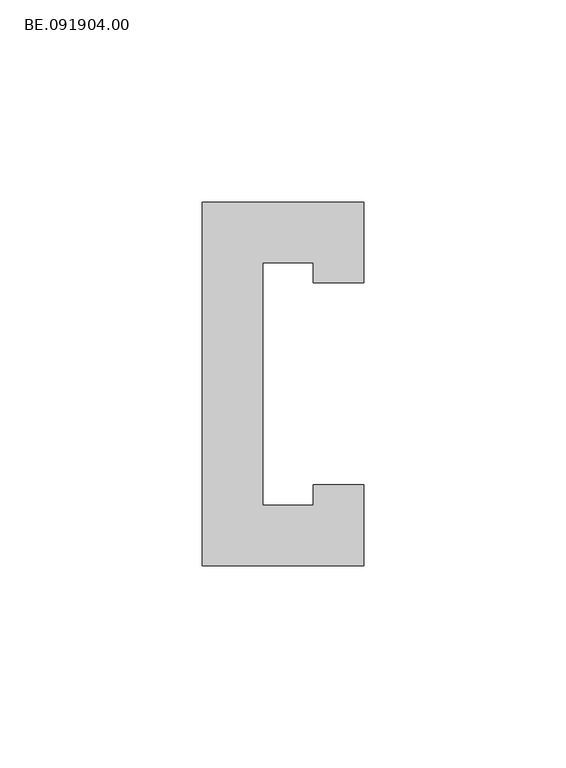
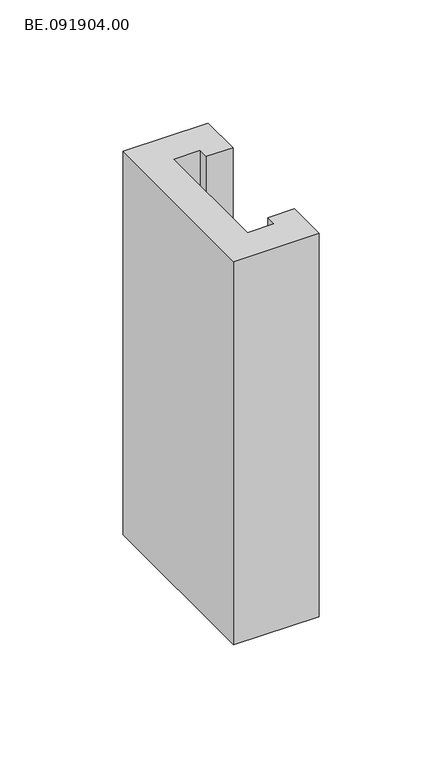
"""IFC4 building model written with IfcOpenShell, lengths in millimetres: proxy geometry, BE.091904.00."""

from ifc_helpers import new_model, si_unit, origin, origin_with_axes, place, context, project, spatial, polyline, outline, extrude, source, transform, mapped, element, save


def be_091904_00_bf79e547(model_context):
    return source(origin(), model_context, "Body", "SweptSolid", [
        extrude(outline(polyline([(45.0, 45.0), (45.0, 25.003125), (32.4959961, 25.003125), (32.4959961, 29.9888672), (19.9944336, 29.9888672), (19.9944336, -30.0074707), (32.4959961, -30.0074707), (32.4959961, -25.003125), (45.0, -25.003125), (45.0, -45.0), (5.0, -45.0), (5.0, 45.0), (45.0, 45.0)])), origin_with_axes(), (0.0, 0.0, 1.0), 190.0),
    ])


if __name__ == "__main__":
    model = new_model("IFC4")
    model_context = context("Model", 3, world=origin())
    ifc_project = project(units=[si_unit("LENGTHUNIT", "METRE", prefix="MILLI")], contexts=[model_context])
    site = spatial("IfcSite", under=ifc_project)
    building = spatial("IfcBuilding", under=site)
    placement = place(None, origin())
    be_091904_00_shape = be_091904_00_bf79e547(model_context)
    element("IfcBuildingElementProxy", 1, Name="BE.091904.00", ObjectType="BE.091904.00", at=placement, inside=building, context=model_context, shape_type="MappedRepresentation", body=[
        mapped(be_091904_00_shape, transform((0.0, 0.0, 0.0), x_axis=(1.0, 0.0, 0.0), y_axis=(0.0, 1.0, 0.0), z_axis=(0.0, 0.0, 1.0))),
    ])
    save(model, "model.ifc")
